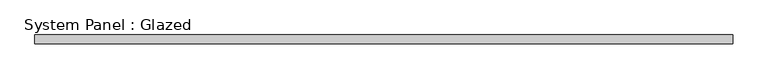
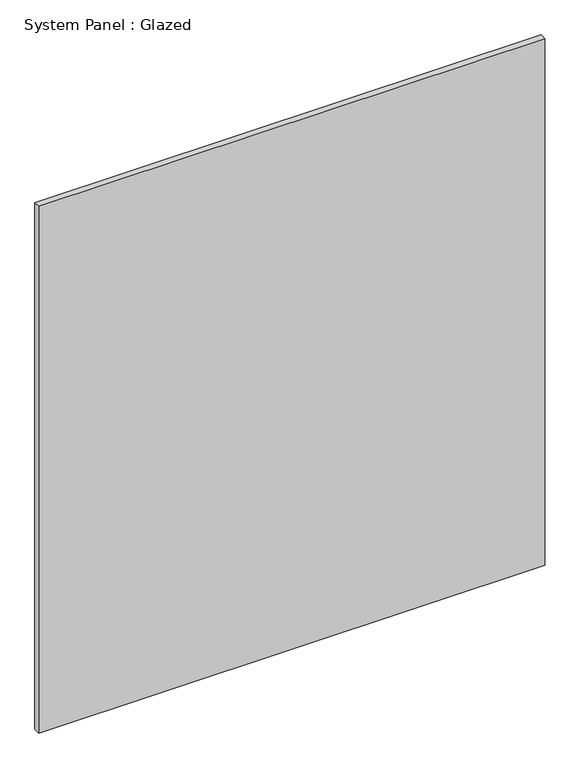
"""IFC4 building model written with IfcOpenShell, lengths in millimetres: plate geometry, System Panel : Glazed."""

from ifc_helpers import new_model, si_unit, origin, origin_with_axes, place, context, project, spatial, polyline, outline, extrude, source, transform, mapped, element, save


def system_panel_glazed_ad8c2ce8(model_context):
    return source(origin(), model_context, "Body", "SweptSolid", [
        extrude(outline(polyline([(1000.0, 19.05), (-1000.0, 19.05), (-1000.0, 44.45), (1000.0, 44.45), (1000.0, 19.05)])), origin_with_axes(), (0.0, 0.0, 1.0), 2200.0),
    ])


if __name__ == "__main__":
    model = new_model("IFC4")
    model_context = context("Model", 3, world=origin())
    ifc_project = project(units=[si_unit("LENGTHUNIT", "METRE", prefix="MILLI")], contexts=[model_context])
    site = spatial("IfcSite", under=ifc_project)
    building = spatial("IfcBuilding", under=site)
    placement = place(None, origin())
    system_panel_glazed_shape = system_panel_glazed_ad8c2ce8(model_context)
    element("IfcPlate", 1, ObjectType="System Panel : Glazed", at=placement, inside=building, context=model_context, shape_type="MappedRepresentation", body=[
        mapped(system_panel_glazed_shape, transform((0.0, 0.0, 0.0), x_axis=(1.0, 0.0, 0.0), y_axis=(0.0, 1.0, 0.0), z_axis=(0.0, 0.0, 1.0))),
    ])
    save(model, "model.ifc")
